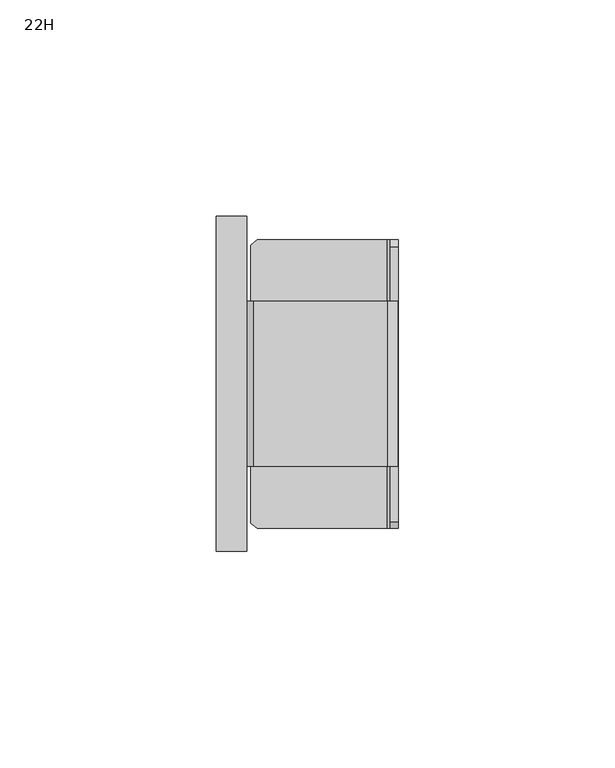
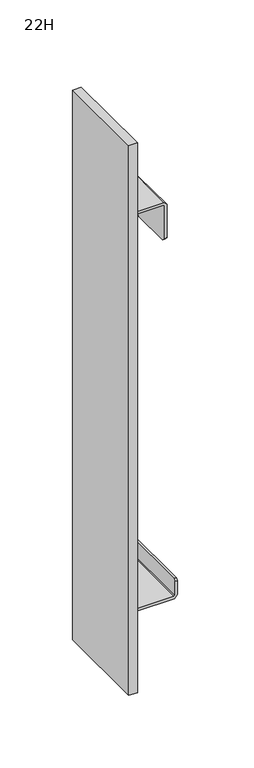
"""IFC4 building model written with IfcOpenShell, lengths in millimetres: furniture geometry, 22H."""

from ifc_helpers import new_model, si_unit, origin, place, context, project, spatial, faceted_brep, source, transform, mapped, element, save


def furniture_22h_6bed304c(model_context):
    return source(origin(), model_context, "Body", "Brep", [
        faceted_brep([(1.1821762, -57.7797218, 486.406292), (32.3986583, -57.7797218, 486.4020329), (32.9891587, -57.7797218, 485.7938579), (32.9938119, -57.7797218, 458.0004599), (34.8987896, -57.7797218, 458.0014182), (34.8952924, -57.7797218, 486.0548884), (32.5976514, -57.7797218, 488.301917), (1.5697271, -57.7797218, 488.3076614), (0.0, -57.7797218, 486.7937221), (0.0, -57.7797218, 443.7002789), (1.1675736, -57.7797218, 443.7016144), (1.1821762, -19.6836553, 486.406292), (1.1675731, -19.6836553, 443.7002789), (-4e-07, -19.6836553, 443.6989961), (0.0, -19.6836553, 486.7937221), (1.5697271, -19.6836553, 488.3076614), (32.5976514, -19.6836553, 488.301917), (34.8952924, -19.6836553, 486.0548884), (34.8987896, -19.6836553, 458.0010049), (32.9938117, -19.6836553, 458.0015561), (32.9891587, -19.6836553, 485.7938579), (32.3986583, -19.6836553, 486.4020329), (32.9943143, -22.6838125, 454.9990975), (32.9943142, -54.7780836, 454.9998605), (34.8991637, -54.7780836, 455.000098), (34.8991638, -22.6838125, 454.999335), (1.1665472, -54.7780836, 440.6998811), (1.1665553, -22.3642463, 440.7237168), (0.0, -54.7780837, 440.7002801), (0.0, -22.3642463, 440.7241157), (0.0, -77.4595434, 562.0557727), (-7.0813197, -77.4595434, 562.0557727), (-7.0813219, -77.4595434, 99.2698491), (0.0, -77.4595434, 99.2698491), (0.0, 0.0, 562.0557727), (0.0, 0.0, 99.2698491), (-7.0813219, 0.0, 99.2698491), (-7.0813197, 0.0, 562.0557727), (0.0, -53.3560092, 193.7089248), (0.0, -24.3615058, 193.7318885), (0.0, -22.8604142, 192.6189114), (0.0, -22.8568986, 164.5125956), (0.0, -54.7235865, 164.5125956), (0.0, -54.720052, 192.6191475), (0.3185148, -24.3615058, 193.7318885), (0.3185148, -53.3560092, 193.7089248), (0.3185148, -54.720052, 192.6191475), (0.3185148, -54.7233124, 166.2028911), (0.3185148, -22.8571519, 166.2028911), (0.3185148, -22.8604142, 192.6189114), (0.9072511, -54.7236205, 163.7073607), (0.9129788, -54.7233851, 165.614568), (0.9072511, -22.8570792, 165.6145679), (0.9242783, -22.8568437, 163.7073625), (32.5778852, -72.0666303, 163.7096294), (35.0258122, -72.0666303, 166.376636), (35.0258213, -72.0666303, 178.0606612), (33.1227028, -72.0666303, 178.0632172), (33.1170397, -72.0666303, 166.2639793), (32.4976916, -72.0666303, 165.6177433), (2.4337651, -72.0666303, 165.6146549), (2.4299072, -72.0666303, 163.7096293), (32.5778852, -5.3942258, 163.7096294), (2.4312512, -5.3942258, 163.7096294), (2.4312512, -5.3942258, 165.6146546), (32.4976916, -5.3942258, 165.6177433), (33.1170397, -5.3942258, 166.2639793), (33.1208095, -5.3942258, 178.0606248), (35.0258213, -5.3942258, 178.0606551), (35.0258122, -5.3942258, 166.376636), (35.0258225, -6.9182272, 179.5846401), (35.0258225, -70.5444495, 179.5841859), (33.1212963, -70.5444495, 179.5841878), (33.1212965, -6.9182272, 179.584642), (0.9297433, -6.6105019, 165.6145004), (0.9073496, -70.8790853, 165.6144981), (0.9075455, -70.8790853, 163.7096294), (0.9299392, -6.6105019, 163.7096294)], [[[0, 1, 2, 3, 4, 5, 6, 7, 8, 9, 10]], [[11, 12, 13, 14, 15, 16, 17, 18, 19, 20, 21]], [[1, 0, 11, 21]], [[2, 1, 21, 20]], [[3, 2, 20, 19, 22, 23]], [[5, 4, 24, 25, 18, 17]], [[6, 5, 17, 16]], [[7, 6, 16, 15]], [[8, 7, 15, 14]], [[0, 10, 26, 27, 12, 11]], [[26, 10, 9, 28]], [[27, 26, 28, 29]], [[12, 27, 29, 13]], [[24, 4, 3, 23]], [[25, 24, 23, 22]], [[18, 25, 22, 19]], [[30, 31, 32, 33]], [[34, 35, 36, 37]], [[31, 30, 34, 37]], [[32, 31, 37, 36]], [[33, 32, 36, 35]], [[30, 33, 35, 34], [9, 8, 14, 13, 29, 28], [38, 39, 40, 41, 42, 43]], [[44, 45, 46, 47, 48, 49]], [[45, 44, 39, 38]], [[46, 45, 38, 43]], [[46, 43, 42, 50, 51, 47]], [[40, 49, 48, 52, 53, 41]], [[44, 49, 40, 39]], [[47, 51, 52, 48]], [[50, 42, 41, 53]], [[54, 55, 56, 57, 58, 59, 60, 61]], [[62, 63, 64, 65, 66, 67, 68, 69]], [[55, 54, 62, 69]], [[56, 55, 69, 68, 70, 71]], [[58, 57, 72, 73, 67, 66]], [[59, 58, 66, 65]], [[60, 59, 65, 64, 74, 52, 51, 75]], [[54, 61, 76, 50, 53, 77, 63, 62]], [[70, 68, 67, 73]], [[71, 70, 73, 72]], [[56, 71, 72, 57]], [[74, 64, 63, 77]], [[74, 77, 53, 52]], [[76, 75, 51, 50]], [[60, 75, 76, 61]]]),
    ])


if __name__ == "__main__":
    model = new_model("IFC4")
    model_context = context("Model", 3, world=origin())
    ifc_project = project(units=[si_unit("LENGTHUNIT", "METRE", prefix="MILLI")], contexts=[model_context])
    site = spatial("IfcSite", under=ifc_project)
    building = spatial("IfcBuilding", under=site)
    placement = place(None, origin())
    furniture_22h_shape = furniture_22h_6bed304c(model_context)
    element("IfcFurniture", 1, ObjectType="22H", at=placement, inside=building, context=model_context, shape_type="MappedRepresentation", body=[
        mapped(furniture_22h_shape, transform((0.0, 0.0, 0.0), x_axis=(1.0, 0.0, 0.0), y_axis=(0.0, 1.0, 0.0), z_axis=(0.0, 0.0, 1.0))),
    ])
    save(model, "model.ifc")
